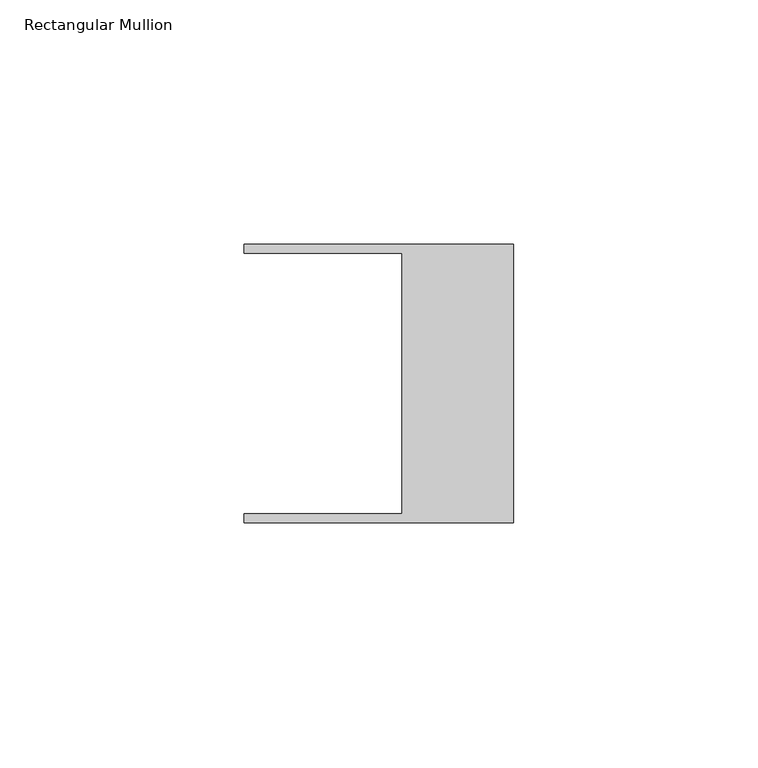
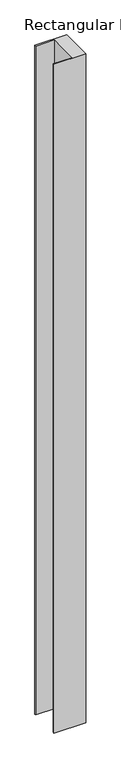
"""IFC4 building model written with IfcOpenShell, lengths in millimetres: member geometry, Rectangular Mullion."""

from ifc_helpers import new_model, si_unit, frame, origin, place, context, project, spatial, polyline, outline, extrude, source, transform, mapped, element, save


def rectangular_mullion_6dfd03ac(model_context):
    return source(origin(), model_context, "Body", "SweptSolid", [
        extrude(outline(polyline([(-55.118, 26.67), (-55.118, 28.448), (0.0, 28.448), (0.0, -28.448), (-55.118, -28.448), (-55.118, -26.67), (-22.86, -26.67), (-22.86, 26.67), (-55.118, 26.67)])), frame((0.0, 0.0, -1219.2), z_axis=(0.0, 0.0, 1.0), x_axis=(1.0, 0.0, 0.0)), (0.0, 0.0, 1.0), 1219.2),
    ])


if __name__ == "__main__":
    model = new_model("IFC4")
    model_context = context("Model", 3, world=origin())
    ifc_project = project(units=[si_unit("LENGTHUNIT", "METRE", prefix="MILLI")], contexts=[model_context])
    site = spatial("IfcSite", under=ifc_project)
    building = spatial("IfcBuilding", under=site)
    placement = place(None, origin())
    rectangular_mullion_shape = rectangular_mullion_6dfd03ac(model_context)
    element("IfcMember", 1, ObjectType="Rectangular Mullion", at=placement, inside=building, context=model_context, shape_type="MappedRepresentation", body=[
        mapped(rectangular_mullion_shape, transform((0.0, 0.0, 0.0), x_axis=(1.0, 0.0, 0.0), y_axis=(0.0, 1.0, 0.0), z_axis=(0.0, 0.0, 1.0))),
    ])
    save(model, "model.ifc")
